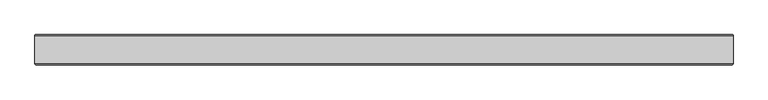
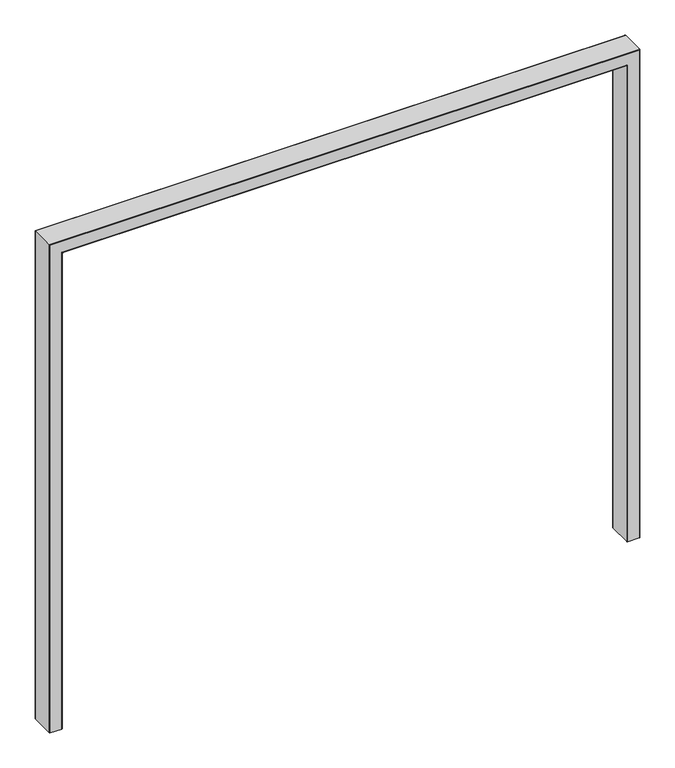
"""IFC4 building model written with IfcOpenShell, lengths in millimetres: proxy geometry."""

from ifc_helpers import new_model, si_unit, frame, origin, place, context, project, spatial, circle_curve, ellipse_curve, source, transform, mapped, element, save
from ifc_brep_helpers import plane_surface, cylinder_surface, advanced_brep


def generic_models_ad9d8c7d(model_context):
    return source(origin(), model_context, "Body", "AdvancedBrep", [
        advanced_brep(
        [(-882.65, 35.854936, 0.0), (-880.404936, 38.1, 0.0), (-846.795064, 38.1, 0.0), (-844.55, 35.854936, 0.0), (-844.55, -35.854936, 0.0), (-846.795064, -38.1, 0.0), (-880.404936, -38.1, 0.0), (-882.65, -35.854936, 0.0), (-882.65, 35.854936, 1543.05), (-880.404936, 38.1, 1540.804936), (880.404936, 38.1, 1540.804936), (880.404936, 38.1, 0.0), (846.795064, 38.1, 0.0), (846.795064, 38.1, 1507.195064), (-846.795064, 38.1, 1507.195064), (-844.55, 35.854936, 1504.95), (-844.55, -35.854936, 1504.95), (-846.795064, -38.1, 1507.195064), (846.795064, -38.1, 1507.195064), (846.795064, -38.1, 0.0), (880.404936, -38.1, 0.0), (880.404936, -38.1, 1540.804936), (-880.404936, -38.1, 1540.804936), (-882.65, -35.854936, 1543.05), (882.65, 35.854936, 1543.05), (844.55, 35.854936, 1504.95), (844.55, -35.854936, 1504.95), (882.65, -35.854936, 1543.05), (882.65, 35.854936, 0.0), (882.65, -35.854936, 0.0), (844.55, -35.854936, 0.0), (844.55, 35.854936, 0.0)],
        [
            (0, 1, circle_curve(frame((-880.404936, 35.854936, 0.0), z_axis=(0.0, 0.0, -1.0), x_axis=(1.0, 0.0, 0.0)), 2.245064)),
            (1, 2),
            (2, 3, circle_curve(frame((-846.795064, 35.854936, 0.0), z_axis=(0.0, 0.0, -1.0), x_axis=(-1.0, 0.0, 0.0)), 2.245064)),
            (3, 4),
            (4, 5, circle_curve(frame((-846.795064, -35.854936, 0.0), z_axis=(0.0, 0.0, -1.0), x_axis=(-1.0, 0.0, 0.0)), 2.245064)),
            (5, 6),
            (6, 7, circle_curve(frame((-880.404936, -35.854936, 0.0), z_axis=(0.0, 0.0, -1.0), x_axis=(1.0, 0.0, 0.0)), 2.245064)),
            (7, 0),
            (0, 8),
            (8, 9, ellipse_curve(frame((-880.404936, 35.854936, 1540.804936), z_axis=(-0.7071067811865486, 0.0, -0.7071067811865464), x_axis=(0.7071067811865462, 0.0, -0.7071067811865488)), 3.175, 2.245064)),
            (9, 1),
            (9, 10),
            (10, 11),
            (11, 12),
            (12, 13),
            (13, 14),
            (14, 2),
            (14, 15, ellipse_curve(frame((-846.795064, 35.854936, 1507.195064), z_axis=(-0.7071067811865464, 0.0, -0.7071067811865486), x_axis=(0.7071067811865483, 0.0, -0.7071067811865466)), 3.175, 2.245064)),
            (15, 3),
            (15, 16),
            (16, 4),
            (16, 17, ellipse_curve(frame((-846.795064, -35.854936, 1507.195064), z_axis=(-0.7071067811865464, 0.0, -0.7071067811865486), x_axis=(0.7071067811865483, 0.0, -0.7071067811865466)), 3.175, 2.245064)),
            (17, 5),
            (17, 18),
            (18, 19),
            (19, 20),
            (20, 21),
            (21, 22),
            (22, 6),
            (22, 23, ellipse_curve(frame((-880.404936, -35.854936, 1540.804936), z_axis=(-0.7071067811865486, 0.0, -0.7071067811865464), x_axis=(0.7071067811865462, 0.0, -0.7071067811865488)), 3.175, 2.245064)),
            (23, 7),
            (23, 8),
            (8, 24),
            (24, 10, ellipse_curve(frame((880.404936, 35.854936, 1540.804936), z_axis=(-0.7071067811865464, 0.0, 0.7071067811865486), x_axis=(-0.7071067811865487, 0.0, -0.7071067811865462)), 3.175, 2.245064)),
            (13, 25, ellipse_curve(frame((846.795064, 35.854936, 1507.195064), z_axis=(-0.7071067811865487, 0.0, 0.7071067811865462), x_axis=(-0.7071067811865465, 0.0, -0.7071067811865485)), 3.175, 2.245064)),
            (25, 15),
            (25, 26),
            (26, 16),
            (26, 18, ellipse_curve(frame((846.795064, -35.854936, 1507.195064), z_axis=(-0.7071067811865487, 0.0, 0.7071067811865462), x_axis=(-0.7071067811865465, 0.0, -0.7071067811865485)), 3.175, 2.245064)),
            (21, 27, ellipse_curve(frame((880.404936, -35.854936, 1540.804936), z_axis=(-0.7071067811865464, 0.0, 0.7071067811865486), x_axis=(-0.7071067811865487, 0.0, -0.7071067811865462)), 3.175, 2.245064)),
            (27, 23),
            (27, 24),
            (28, 29),
            (29, 20, circle_curve(frame((880.404936, -35.854936, 0.0), z_axis=(0.0, 0.0, -1.0), x_axis=(-1.0, 0.0, 0.0)), 2.245064)),
            (19, 30, circle_curve(frame((846.795064, -35.854936, 0.0), z_axis=(0.0, 0.0, -1.0), x_axis=(1.0, 0.0, 0.0)), 2.245064)),
            (30, 31),
            (31, 12, circle_curve(frame((846.795064, 35.854936, 0.0), z_axis=(0.0, 0.0, -1.0), x_axis=(1.0, 0.0, 0.0)), 2.245064)),
            (11, 28, circle_curve(frame((880.404936, 35.854936, 0.0), z_axis=(0.0, 0.0, -1.0), x_axis=(-1.0, 0.0, 0.0)), 2.245064)),
            (24, 28),
            (31, 25),
            (30, 26),
            (29, 27),
        ],
        [
            plane_surface(frame((-863.6, 0.0, 0.0), z_axis=(0.0, 0.0, -1.0), x_axis=(0.0, -1.0, 0.0))),
            cylinder_surface(frame((-880.404936, 35.854936, 0.0), z_axis=(0.0, 0.0, -1.0), x_axis=(1.0, 0.0, 0.0)), 2.245064),
            plane_surface(frame((-880.404936, 38.1, 0.0), z_axis=(0.0, 1.0, 0.0), x_axis=(0.0, 0.0, 1.0))),
            cylinder_surface(frame((-846.795064, 35.854936, 0.0), z_axis=(0.0, 0.0, -1.0), x_axis=(-1.0, 0.0, 0.0)), 2.245064),
            plane_surface(frame((-844.55, 35.854936, 0.0), z_axis=(1.0, 0.0, 0.0), x_axis=(0.0, 0.0, 1.0))),
            cylinder_surface(frame((-846.795064, -35.854936, 0.0), z_axis=(0.0, 0.0, -1.0), x_axis=(-1.0, 0.0, 0.0)), 2.245064),
            plane_surface(frame((-846.795064, -38.1, 0.0), z_axis=(0.0, -1.0, 0.0), x_axis=(0.0, 0.0, 1.0))),
            cylinder_surface(frame((-880.404936, -35.854936, 0.0), z_axis=(0.0, 0.0, -1.0), x_axis=(1.0, 0.0, 0.0)), 2.245064),
            plane_surface(frame((-882.65, -35.854936, 0.0), z_axis=(-1.0, 0.0, 0.0), x_axis=(0.0, 0.0, 1.0))),
            cylinder_surface(frame((-863.6, 35.854936, 1540.804936), z_axis=(-1.0, 0.0, 0.0), x_axis=(0.0, 0.0, -1.0)), 2.245064),
            cylinder_surface(frame((-863.6, 35.854936, 1507.195064), z_axis=(-1.0, 0.0, 0.0), x_axis=(0.0, 0.0, 1.0)), 2.245064),
            plane_surface(frame((-844.55, 35.854936, 1504.95), z_axis=(0.0, 0.0, -1.0), x_axis=(1.0, 0.0, 0.0))),
            cylinder_surface(frame((-863.6, -35.854936, 1507.195064), z_axis=(-1.0, 0.0, 0.0), x_axis=(0.0, 0.0, 1.0)), 2.245064),
            cylinder_surface(frame((-863.6, -35.854936, 1540.804936), z_axis=(-1.0, 0.0, 0.0), x_axis=(0.0, 0.0, -1.0)), 2.245064),
            plane_surface(frame((-882.65, -35.854936, 1543.05), z_axis=(0.0, 0.0, 1.0), x_axis=(1.0, 0.0, 0.0))),
            plane_surface(frame((863.6, 0.0, 0.0), z_axis=(0.0, 0.0, -1.0), x_axis=(0.0, -1.0, 0.0))),
            cylinder_surface(frame((880.404936, 35.854936, 1524.0), z_axis=(0.0, 0.0, 1.0), x_axis=(-1.0, 0.0, 0.0)), 2.245064),
            cylinder_surface(frame((846.795064, 35.854936, 1524.0), z_axis=(0.0, 0.0, 1.0), x_axis=(1.0, 0.0, 0.0)), 2.245064),
            plane_surface(frame((844.55, 35.854936, 1504.95), z_axis=(-1.0, 0.0, 0.0), x_axis=(0.0, 0.0, -1.0))),
            cylinder_surface(frame((846.795064, -35.854936, 1524.0), z_axis=(0.0, 0.0, 1.0), x_axis=(1.0, 0.0, 0.0)), 2.245064),
            cylinder_surface(frame((880.404936, -35.854936, 1524.0), z_axis=(0.0, 0.0, 1.0), x_axis=(-1.0, 0.0, 0.0)), 2.245064),
            plane_surface(frame((882.65, -35.854936, 1543.05), z_axis=(1.0, 0.0, 0.0), x_axis=(0.0, 0.0, -1.0))),
        ],
        [
            (0, [[1, 2, 3, 4, 5, 6, 7, 8]]),
            (1, [[-1, 9, 10, 11]]),
            (2, [[-2, -11, 12, 13, 14, 15, 16, 17]]),
            (3, [[-3, -17, 18, 19]]),
            (4, [[-4, -19, 20, 21]]),
            (5, [[-5, -21, 22, 23]]),
            (6, [[-6, -23, 24, 25, 26, 27, 28, 29]]),
            (7, [[-7, -29, 30, 31]]),
            (8, [[-8, -31, 32, -9]]),
            (9, [[-10, 33, 34, -12]]),
            (10, [[-18, -16, 35, 36]]),
            (11, [[-20, -36, 37, 38]]),
            (12, [[-22, -38, 39, -24]]),
            (13, [[-30, -28, 40, 41]]),
            (14, [[-32, -41, 42, -33]]),
            (15, [[43, 44, -26, 45, 46, 47, -14, 48]]),
            (16, [[-34, 49, -48, -13]]),
            (17, [[-35, -15, -47, 50]]),
            (18, [[-37, -50, -46, 51]]),
            (19, [[-39, -51, -45, -25]]),
            (20, [[-40, -27, -44, 52]]),
            (21, [[-42, -52, -43, -49]]),
        ],
    ),
    ])


if __name__ == "__main__":
    model = new_model("IFC4")
    model_context = context("Model", 3, world=origin())
    ifc_project = project(units=[si_unit("LENGTHUNIT", "METRE", prefix="MILLI")], contexts=[model_context])
    site = spatial("IfcSite", under=ifc_project)
    building = spatial("IfcBuilding", under=site)
    placement = place(None, origin())
    generic_models_shape = generic_models_ad9d8c7d(model_context)
    element("IfcBuildingElementProxy", 1, Name="Generic Models", at=placement, inside=building, context=model_context, shape_type="MappedRepresentation", body=[
        mapped(generic_models_shape, transform((0.0, 0.0, 0.0), x_axis=(1.0, 0.0, 0.0), y_axis=(0.0, 1.0, 0.0), z_axis=(0.0, 0.0, 1.0))),
    ])
    save(model, "model.ifc")
